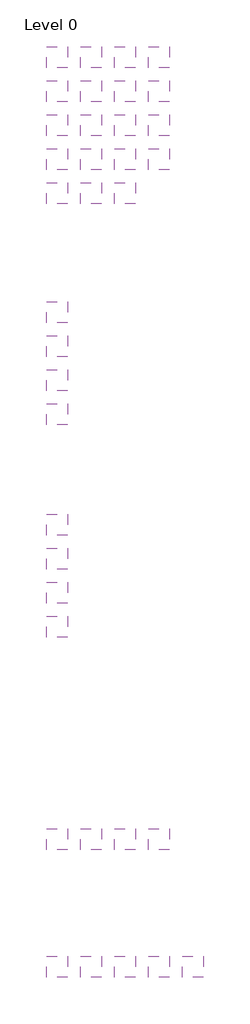
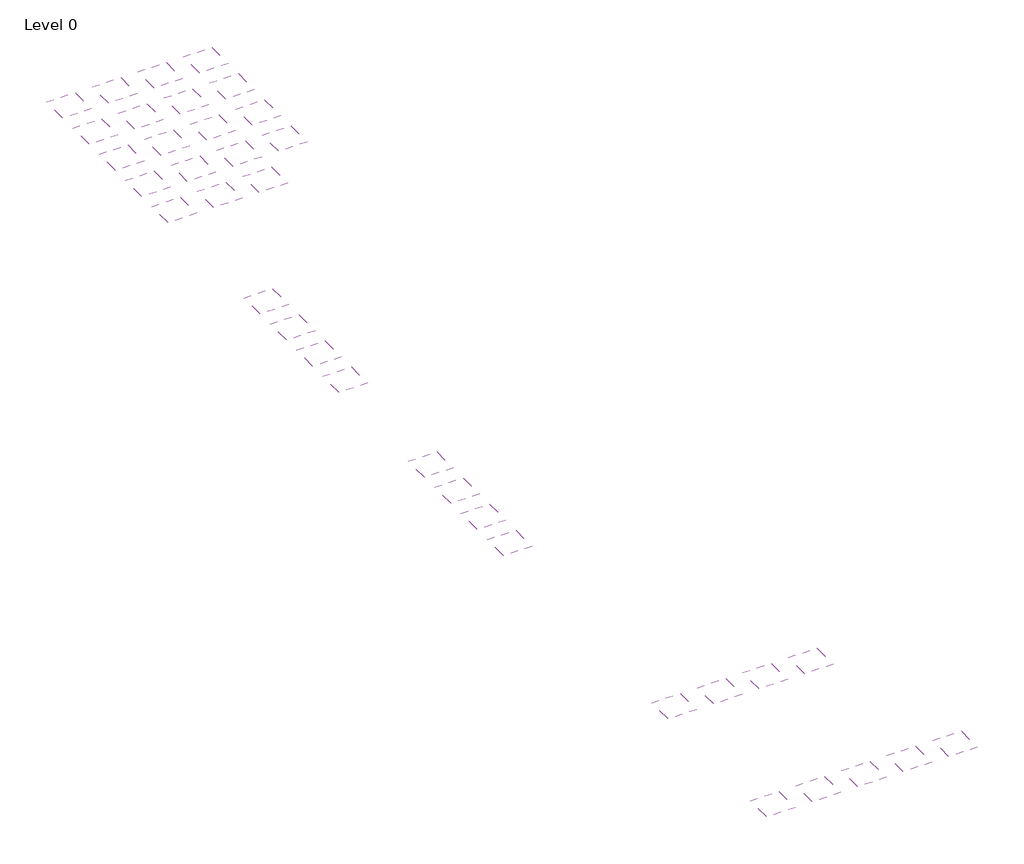
# One storey: 36 coverings.
"""IFC4 building model written with IfcOpenShell, lengths in millimetres."""

import ifcopenshell
import ifcopenshell.guid

model = None  # the IFC model being written
_history = None  # IfcOwnerHistory: only IFC2X3 demands one
_inside = {}  # id of a spatial element -> (the spatial element, [elements in it])
_under = {}  # id of a project, library or spatial element -> (it, [spatial elements below it])
_declared = {}  # id of a project -> (the project, [libraries it declares])
_typed = {}  # id of a type object -> (the type object, [elements of that type])
_made_of = {}  # id of a material, layer set ... -> (it, [elements and type objects made of it])


def new_model(schema):
    """Start an empty IFC model of exactly this schema.

    Asked for "IFC4X3", IfcOpenShell would pick the latest addendum, in which some entities
    have other attributes; the version numbers below select the first issue.
    IFC2X3 requires an IfcOwnerHistory on every rooted entity: one is made here for all.
    """
    global model, _history
    if schema == "IFC4X3":
        model = ifcopenshell.file(schema_version=(4, 3, 0, 0))
    else:
        model = ifcopenshell.file(schema=schema)
    _inside.clear()
    _under.clear()
    _declared.clear()
    _typed.clear()
    _made_of.clear()
    _history = None
    if model.schema == "IFC2X3":
        org = make("IfcOrganization", Name="unknown")
        user = make(
            "IfcPersonAndOrganization",
            ThePerson=make("IfcPerson", FamilyName="unknown"),
            TheOrganization=org,
        )
        app = make(
            "IfcApplication",
            ApplicationDeveloper=org,
            Version="unknown",
            ApplicationFullName="unknown",
            ApplicationIdentifier="unknown",
        )
        _history = make(
            "IfcOwnerHistory",
            OwningUser=user,
            OwningApplication=app,
            ChangeAction="ADDED",
            CreationDate=0,
        )
    return model


def make(cls, **values):
    """One entity of the class cls with the attributes given. An attribute that is None is left unset."""
    return model.create_entity(
        cls, **{name: value for name, value in values.items() if value is not None}
    )


def rooted(cls, **values):
    """An entity with a GlobalId (a new one), such as an element, a storey or a relation."""
    return make(cls, GlobalId=ifcopenshell.guid.new(), OwnerHistory=_history, **values)


def si_unit(unit_type, name, prefix=None):
    """IfcSIUnit, for example si_unit("LENGTHUNIT", "METRE", prefix="MILLI")."""
    return make("IfcSIUnit", UnitType=unit_type, Prefix=prefix, Name=name)


def assignment(units):
    """IfcUnitAssignment: the units of a project."""
    return None if units is None else make("IfcUnitAssignment", Units=units)


def point(xyz):
    """IfcCartesianPoint."""
    return None if xyz is None else make("IfcCartesianPoint", Coordinates=xyz)


def direction(xyz):
    """IfcDirection."""
    return None if xyz is None else make("IfcDirection", DirectionRatios=xyz)


def frame(location, z_axis=None, x_axis=None):
    """IfcAxis2Placement3D, a coordinate frame: its origin and axes. An axis left out is left unset."""
    return make(
        "IfcAxis2Placement3D",
        Location=point(location),
        Axis=direction(z_axis),
        RefDirection=direction(x_axis),
    )


def origin():
    """The frame at (0, 0, 0) with its axes left unset."""
    return frame((0.0, 0.0, 0.0))


def place(relative_to, where):
    """IfcLocalPlacement: puts the frame where relative to a parent placement (None: the world)."""
    return make(
        "IfcLocalPlacement", PlacementRelTo=relative_to, RelativePlacement=where
    )


def context(
    kind, dimensions, precision=None, world=None, true_north=None, identifier=None
):
    """IfcGeometricRepresentationContext, for example the 3D "Model" context."""
    return make(
        "IfcGeometricRepresentationContext",
        ContextIdentifier=identifier,
        ContextType=kind,
        CoordinateSpaceDimension=dimensions,
        Precision=precision,
        WorldCoordinateSystem=world,
        TrueNorth=true_north,
    )


def project(units=None, contexts=None):
    """IfcProject with its units and contexts."""
    return rooted(
        "IfcProject",
        Name="project",
        RepresentationContexts=contexts,
        UnitsInContext=assignment(units),
    )


def spatial(cls, under=None, at=None, **own):
    """A site, building, storey or space (cls), placed at a placement, below another one or the project."""
    s = rooted(cls, ObjectPlacement=at, **own)
    if under is not None:
        _under.setdefault(under.id(), (under, []))[1].append(s)
    return s


def polyline(points):
    """IfcPolyline through the points."""
    return make("IfcPolyline", Points=[point(p) for p in points])


def outline(outer, holes=None, kind="AREA"):
    """IfcArbitraryClosedProfileDef: a profile drawn as a closed curve; with holes, ...WithVoids."""
    if holes is None:
        return make("IfcArbitraryClosedProfileDef", ProfileType=kind, OuterCurve=outer)
    return make(
        "IfcArbitraryProfileDefWithVoids",
        ProfileType=kind,
        OuterCurve=outer,
        InnerCurves=holes,
    )


def extrude(swept, where, along, depth):
    """IfcExtrudedAreaSolid: the profile swept, set in the frame where, extruded along a direction by depth."""
    return make(
        "IfcExtrudedAreaSolid",
        SweptArea=swept,
        Position=where,
        ExtrudedDirection=direction(along),
        Depth=depth,
    )


def shape(context_of_items, identifier, shape_type, items):
    """IfcShapeRepresentation: the items that make up one representation, for example the "Body"."""
    return make(
        "IfcShapeRepresentation",
        ContextOfItems=context_of_items,
        RepresentationIdentifier=identifier,
        RepresentationType=shape_type,
        Items=items,
    )


def made_of(thing, what):
    """Note that an element or type object is made of a material, layer set ...; save() writes the relation."""
    if what is not None:
        _made_of.setdefault(what.id(), (what, []))[1].append(thing)
    return thing


def element(
    cls,
    number,
    at=None,
    inside=None,
    cuts=None,
    type_object=None,
    material=None,
    context=None,
    identifier="Body",
    shape_type=None,
    held_by="IfcProductDefinitionShape",
    body=None,
    shapes=None,
    **own,
):
    """One element of the class cls, such as IfcWall. Its Tag is "e" and its number.

    at: its placement. inside: the storey or other place that contains it. cuts: it is an
    opening in that element (IfcRelVoidsElement). A single representation is given by context,
    identifier, shape_type and body (its items); several are given by shapes. held_by: the class
    of the entity that holds the representations. save() writes the other relations.
    """
    e = rooted(cls, Tag="e%d" % number, ObjectPlacement=at, **own)
    if body is not None:
        shapes = [shape(context, identifier, shape_type, body)]
    if shapes is not None:
        e.Representation = make(held_by, Representations=shapes)
    if inside is not None:
        _inside.setdefault(inside.id(), (inside, []))[1].append(e)
    if cuts is not None:
        rooted(
            "IfcRelVoidsElement", RelatingBuildingElement=cuts, RelatedOpeningElement=e
        )
    if type_object is not None:
        _typed.setdefault(type_object.id(), (type_object, []))[1].append(e)
    return made_of(e, material)


def aggregate(whole, parts):
    """IfcRelAggregates: a whole, such as a stair, and the parts it consists of."""
    return rooted("IfcRelAggregates", RelatingObject=whole, RelatedObjects=parts)


def save(model, path):
    """Write the relations noted so far, then the file.

    IfcRelAggregates (storeys below a building ...), IfcRelContainedInSpatialStructure (elements
    in a storey), IfcRelDefinesByType, IfcRelAssociatesMaterial and IfcRelDeclares: one each for
    every whole, place, type object, material and project.
    """
    for whole, parts in _under.values():
        aggregate(whole, parts)
    for where, things in _inside.values():
        rooted(
            "IfcRelContainedInSpatialStructure",
            RelatedElements=things,
            RelatingStructure=where,
        )
    for kind, things in _typed.values():
        rooted("IfcRelDefinesByType", RelatedObjects=things, RelatingType=kind)
    for what, things in _made_of.values():
        rooted("IfcRelAssociatesMaterial", RelatedObjects=things, RelatingMaterial=what)
    for by, libraries in _declared.values():
        rooted("IfcRelDeclares", RelatingContext=by, RelatedDefinitions=libraries)
    model.write(path)


model = new_model("IFC4")

# Units and contexts
model_context = context("Model", 3, world=origin())
ifc_project = project(units=[si_unit("LENGTHUNIT", "METRE", prefix="MILLI")], contexts=[model_context])

# Site, building, storey
site = spatial("IfcSite", under=ifc_project)
building = spatial("IfcBuilding", under=site)
storey = spatial("IfcBuildingStorey", under=building, Name="Level 0", Elevation=0.0)

# Coverings
placement = place(None, origin())
element("IfcCovering", 1, at=placement, inside=storey, context=model_context, shape_type="SweptSolid", body=[
    extrude(outline(polyline([(-9816.8087978, 5048.1093759), (-9816.8087978, 4548.1093759), (-10316.8087978, 4548.1093759), (-10316.8087978, 5048.1093759), (-9816.8087978, 5048.1093759)])), frame((0.0, 0.0, 4000.0), z_axis=(0.0, 0.0, 1.0), x_axis=(1.0, 0.0, 0.0)), (0.0, 0.0, 1.0), 13.0),
])
element("IfcCovering", 2, at=placement, inside=storey, context=model_context, shape_type="SweptSolid", body=[
    extrude(outline(polyline([(-9816.8087978, 4248.1093759), (-9816.8087978, 3748.1093759), (-10316.8087978, 3748.1093759), (-10316.8087978, 4248.1093759), (-9816.8087978, 4248.1093759)])), frame((0.0, 0.0, 4000.0), z_axis=(0.0, 0.0, 1.0), x_axis=(1.0, 0.0, 0.0)), (0.0, 0.0, 1.0), 14.0),
])
element("IfcCovering", 3, at=placement, inside=storey, context=model_context, shape_type="SweptSolid", body=[
    extrude(outline(polyline([(-9016.8087978, 5048.1093759), (-9016.8087978, 4548.1093759), (-9516.8087978, 4548.1093759), (-9516.8087978, 5048.1093759), (-9016.8087978, 5048.1093759)])), frame((0.0, 0.0, 4000.0), z_axis=(0.0, 0.0, 1.0), x_axis=(1.0, 0.0, 0.0)), (0.0, 0.0, 1.0), 17.0),
])
element("IfcCovering", 4, at=placement, inside=storey, context=model_context, shape_type="SweptSolid", body=[
    extrude(outline(polyline([(-9016.8087978, 4248.1093759), (-9016.8087978, 3748.1093759), (-9516.8087978, 3748.1093759), (-9516.8087978, 4248.1093759), (-9016.8087978, 4248.1093759)])), frame((0.0, 0.0, 4000.0), z_axis=(0.0, 0.0, 1.0), x_axis=(1.0, 0.0, 0.0)), (0.0, 0.0, 1.0), 17.0),
])
element("IfcCovering", 5, at=placement, inside=storey, context=model_context, shape_type="SweptSolid", body=[
    extrude(outline(polyline([(-9816.8087978, 3448.1093759), (-9816.8087978, 2948.1093759), (-10316.8087978, 2948.1093759), (-10316.8087978, 3448.1093759), (-9816.8087978, 3448.1093759)])), frame((0.0, 0.0, 4000.0), z_axis=(0.0, 0.0, 1.0), x_axis=(1.0, 0.0, 0.0)), (0.0, 0.0, 1.0), 14.0),
])
element("IfcCovering", 6, at=placement, inside=storey, context=model_context, shape_type="SweptSolid", body=[
    extrude(outline(polyline([(-9016.8087978, 3448.1093759), (-9016.8087978, 2948.1093759), (-9516.8087978, 2948.1093759), (-9516.8087978, 3448.1093759), (-9016.8087978, 3448.1093759)])), frame((0.0, 0.0, 4000.0), z_axis=(0.0, 0.0, 1.0), x_axis=(1.0, 0.0, 0.0)), (0.0, 0.0, 1.0), 17.0),
])
element("IfcCovering", 7, at=placement, inside=storey, context=model_context, shape_type="SweptSolid", body=[
    extrude(outline(polyline([(-8216.8087978, 3448.1093759), (-8216.8087978, 2948.1093759), (-8716.8087978, 2948.1093759), (-8716.8087978, 3448.1093759), (-8216.8087978, 3448.1093759)])), frame((0.0, 0.0, 4000.0), z_axis=(0.0, 0.0, 1.0), x_axis=(1.0, 0.0, 0.0)), (0.0, 0.0, 1.0), 17.0),
])
element("IfcCovering", 8, at=placement, inside=storey, context=model_context, shape_type="SweptSolid", body=[
    extrude(outline(polyline([(-9816.8087978, 2648.1093759), (-9816.8087978, 2148.1093759), (-10316.8087978, 2148.1093759), (-10316.8087978, 2648.1093759), (-9816.8087978, 2648.1093759)])), frame((0.0, 0.0, 4000.0), z_axis=(0.0, 0.0, 1.0), x_axis=(1.0, 0.0, 0.0)), (0.0, 0.0, 1.0), 17.0),
])
element("IfcCovering", 9, at=placement, inside=storey, context=model_context, shape_type="SweptSolid", body=[
    extrude(outline(polyline([(-9016.8087978, 2648.1093759), (-9016.8087978, 2148.1093759), (-9516.8087978, 2148.1093759), (-9516.8087978, 2648.1093759), (-9016.8087978, 2648.1093759)])), frame((0.0, 0.0, 4000.0), z_axis=(0.0, 0.0, 1.0), x_axis=(1.0, 0.0, 0.0)), (0.0, 0.0, 1.0), 17.0),
])
element("IfcCovering", 10, at=placement, inside=storey, context=model_context, shape_type="SweptSolid", body=[
    extrude(outline(polyline([(-8216.8087978, 2648.1093759), (-8216.8087978, 2148.1093759), (-8716.8087978, 2148.1093759), (-8716.8087978, 2648.1093759), (-8216.8087978, 2648.1093759)])), frame((0.0, 0.0, 4000.0), z_axis=(0.0, 0.0, 1.0), x_axis=(1.0, 0.0, 0.0)), (0.0, 0.0, 1.0), 20.0),
])
element("IfcCovering", 11, at=placement, inside=storey, context=model_context, shape_type="SweptSolid", body=[
    extrude(outline(polyline([(-7416.8087978, 2648.1093759), (-7416.8087978, 2148.1093759), (-7916.8087978, 2148.1093759), (-7916.8087978, 2648.1093759), (-7416.8087978, 2648.1093759)])), frame((0.0, 0.0, 4000.0), z_axis=(0.0, 0.0, 1.0), x_axis=(1.0, 0.0, 0.0)), (0.0, 0.0, 1.0), 33.0),
])
element("IfcCovering", 12, at=placement, inside=storey, context=model_context, shape_type="SweptSolid", body=[
    extrude(outline(polyline([(-9816.8087978, 1848.1093759), (-9816.8087978, 1348.1093759), (-10316.8087978, 1348.1093759), (-10316.8087978, 1848.1093759), (-9816.8087978, 1848.1093759)])), frame((0.0, 0.0, 4000.0), z_axis=(0.0, 0.0, 1.0), x_axis=(1.0, 0.0, 0.0)), (0.0, 0.0, 1.0), 36.0),
])
element("IfcCovering", 13, at=placement, inside=storey, context=model_context, shape_type="SweptSolid", body=[
    extrude(outline(polyline([(-9016.8087978, 1848.1093759), (-9016.8087978, 1348.1093759), (-9516.8087978, 1348.1093759), (-9516.8087978, 1848.1093759), (-9016.8087978, 1848.1093759)])), frame((0.0, 0.0, 4000.0), z_axis=(0.0, 0.0, 1.0), x_axis=(1.0, 0.0, 0.0)), (0.0, 0.0, 1.0), 48.0),
])
element("IfcCovering", 14, at=placement, inside=storey, context=model_context, shape_type="SweptSolid", body=[
    extrude(outline(polyline([(-9816.8087978, -951.8906241), (-9816.8087978, -1451.8906241), (-10316.8087978, -1451.8906241), (-10316.8087978, -951.8906241), (-9816.8087978, -951.8906241)])), frame((0.0, 0.0, 4000.0), z_axis=(0.0, 0.0, 1.0), x_axis=(1.0, 0.0, 0.0)), (0.0, 0.0, 1.0), 25.0),
])
element("IfcCovering", 15, at=placement, inside=storey, context=model_context, shape_type="SweptSolid", body=[
    extrude(outline(polyline([(-9816.8087978, -1751.8906241), (-9816.8087978, -2251.8906241), (-10316.8087978, -2251.8906241), (-10316.8087978, -1751.8906241), (-9816.8087978, -1751.8906241)])), frame((0.0, 0.0, 4000.0), z_axis=(0.0, 0.0, 1.0), x_axis=(1.0, 0.0, 0.0)), (0.0, 0.0, 1.0), 34.0),
])
element("IfcCovering", 16, at=placement, inside=storey, context=model_context, shape_type="SweptSolid", body=[
    extrude(outline(polyline([(-9816.8087978, -2551.8906241), (-9816.8087978, -3051.8906241), (-10316.8087978, -3051.8906241), (-10316.8087978, -2551.8906241), (-9816.8087978, -2551.8906241)])), frame((0.0, 0.0, 4000.0), z_axis=(0.0, 0.0, 1.0), x_axis=(1.0, 0.0, 0.0)), (0.0, 0.0, 1.0), 55.0),
])
element("IfcCovering", 17, at=placement, inside=storey, context=model_context, shape_type="SweptSolid", body=[
    extrude(outline(polyline([(-9816.8087978, -3351.8906241), (-9816.8087978, -3851.8906241), (-10316.8087978, -3851.8906241), (-10316.8087978, -3351.8906241), (-9816.8087978, -3351.8906241)])), frame((0.0, 0.0, 4000.0), z_axis=(0.0, 0.0, 1.0), x_axis=(1.0, 0.0, 0.0)), (0.0, 0.0, 1.0), 81.0),
])
element("IfcCovering", 18, at=placement, inside=storey, context=model_context, shape_type="SweptSolid", body=[
    extrude(outline(polyline([(-9816.8087978, -6751.8906241), (-9816.8087978, -7251.8906241), (-10316.8087978, -7251.8906241), (-10316.8087978, -6751.8906241), (-9816.8087978, -6751.8906241)])), frame((0.0, 0.0, 4000.0), z_axis=(0.0, 0.0, 1.0), x_axis=(1.0, 0.0, 0.0)), (0.0, 0.0, 1.0), 24.0),
])
element("IfcCovering", 19, at=placement, inside=storey, context=model_context, shape_type="SweptSolid", body=[
    extrude(outline(polyline([(-9816.8087978, -7551.8906241), (-9816.8087978, -8051.8906241), (-10316.8087978, -8051.8906241), (-10316.8087978, -7551.8906241), (-9816.8087978, -7551.8906241)])), frame((0.0, 0.0, 4000.0), z_axis=(0.0, 0.0, 1.0), x_axis=(1.0, 0.0, 0.0)), (0.0, 0.0, 1.0), 40.0),
])
element("IfcCovering", 20, at=placement, inside=storey, context=model_context, shape_type="SweptSolid", body=[
    extrude(outline(polyline([(-9816.8087978, -8351.8906241), (-9816.8087978, -8851.8906241), (-10316.8087978, -8851.8906241), (-10316.8087978, -8351.8906241), (-9816.8087978, -8351.8906241)])), frame((0.0, 0.0, 4000.0), z_axis=(0.0, 0.0, 1.0), x_axis=(1.0, 0.0, 0.0)), (0.0, 0.0, 1.0), 56.0),
])
element("IfcCovering", 21, at=placement, inside=storey, context=model_context, shape_type="SweptSolid", body=[
    extrude(outline(polyline([(-9816.8087978, -5951.8906241), (-9816.8087978, -6451.8906241), (-10316.8087978, -6451.8906241), (-10316.8087978, -5951.8906241), (-9816.8087978, -5951.8906241)])), frame((0.0, 0.0, 4000.0), z_axis=(0.0, 0.0, 1.0), x_axis=(1.0, 0.0, 0.0)), (0.0, 0.0, 1.0), 15.0),
])
element("IfcCovering", 22, at=placement, inside=storey, context=model_context, shape_type="SweptSolid", body=[
    extrude(outline(polyline([(-9816.8087978, -13351.8906241), (-9816.8087978, -13851.8906241), (-10316.8087978, -13851.8906241), (-10316.8087978, -13351.8906241), (-9816.8087978, -13351.8906241)])), frame((0.0, 0.0, 4000.0), z_axis=(0.0, 0.0, 1.0), x_axis=(1.0, 0.0, 0.0)), (0.0, 0.0, 1.0), 13.0),
])
element("IfcCovering", 23, at=placement, inside=storey, context=model_context, shape_type="SweptSolid", body=[
    extrude(outline(polyline([(-8216.8087978, -13351.8906241), (-8216.8087978, -13851.8906241), (-8716.8087978, -13851.8906241), (-8716.8087978, -13351.8906241), (-8216.8087978, -13351.8906241)])), frame((0.0, 0.0, 4000.0), z_axis=(0.0, 0.0, 1.0), x_axis=(1.0, 0.0, 0.0)), (0.0, 0.0, 1.0), 23.0),
])
element("IfcCovering", 24, at=placement, inside=storey, context=model_context, shape_type="SweptSolid", body=[
    extrude(outline(polyline([(-7416.8087978, -13351.8906241), (-7416.8087978, -13851.8906241), (-7916.8087978, -13851.8906241), (-7916.8087978, -13351.8906241), (-7416.8087978, -13351.8906241)])), frame((0.0, 0.0, 4000.0), z_axis=(0.0, 0.0, 1.0), x_axis=(1.0, 0.0, 0.0)), (0.0, 0.0, 1.0), 31.0),
])
element("IfcCovering", 25, at=placement, inside=storey, context=model_context, shape_type="SweptSolid", body=[
    extrude(outline(polyline([(-9816.8087978, -16351.8906241), (-9816.8087978, -16851.8906241), (-10316.8087978, -16851.8906241), (-10316.8087978, -16351.8906241), (-9816.8087978, -16351.8906241)])), frame((0.0, 0.0, 4000.0), z_axis=(0.0, 0.0, 1.0), x_axis=(1.0, 0.0, 0.0)), (0.0, 0.0, 1.0), 23.0),
])
element("IfcCovering", 26, at=placement, inside=storey, context=model_context, shape_type="SweptSolid", body=[
    extrude(outline(polyline([(-9016.8087978, -16351.8906241), (-9016.8087978, -16851.8906241), (-9516.8087978, -16851.8906241), (-9516.8087978, -16351.8906241), (-9016.8087978, -16351.8906241)])), frame((0.0, 0.0, 4000.0), z_axis=(0.0, 0.0, 1.0), x_axis=(1.0, 0.0, 0.0)), (0.0, 0.0, 1.0), 23.0),
])
element("IfcCovering", 27, at=placement, inside=storey, context=model_context, shape_type="SweptSolid", body=[
    extrude(outline(polyline([(-8216.8087978, -16351.8906241), (-8216.8087978, -16851.8906241), (-8716.8087978, -16851.8906241), (-8716.8087978, -16351.8906241), (-8216.8087978, -16351.8906241)])), frame((0.0, 0.0, 4000.0), z_axis=(0.0, 0.0, 1.0), x_axis=(1.0, 0.0, 0.0)), (0.0, 0.0, 1.0), 23.0),
])
element("IfcCovering", 28, at=placement, inside=storey, context=model_context, shape_type="SweptSolid", body=[
    extrude(outline(polyline([(-7416.8087978, -16351.8906241), (-7416.8087978, -16851.8906241), (-7916.8087978, -16851.8906241), (-7916.8087978, -16351.8906241), (-7416.8087978, -16351.8906241)])), frame((0.0, 0.0, 4000.0), z_axis=(0.0, 0.0, 1.0), x_axis=(1.0, 0.0, 0.0)), (0.0, 0.0, 1.0), 27.0),
])
element("IfcCovering", 29, at=placement, inside=storey, context=model_context, shape_type="SweptSolid", body=[
    extrude(outline(polyline([(-6616.8087978, -16351.8906241), (-6616.8087978, -16851.8906241), (-7116.8087978, -16851.8906241), (-7116.8087978, -16351.8906241), (-6616.8087978, -16351.8906241)])), frame((0.0, 0.0, 4000.0), z_axis=(0.0, 0.0, 1.0), x_axis=(1.0, 0.0, 0.0)), (0.0, 0.0, 1.0), 39.0),
])
element("IfcCovering", 30, at=placement, inside=storey, context=model_context, shape_type="SweptSolid", body=[
    extrude(outline(polyline([(-9016.8087978, -13351.8906241), (-9016.8087978, -13851.8906241), (-9516.8087978, -13851.8906241), (-9516.8087978, -13351.8906241), (-9016.8087978, -13351.8906241)])), frame((0.0, 0.0, 4000.0), z_axis=(0.0, 0.0, 1.0), x_axis=(1.0, 0.0, 0.0)), (0.0, 0.0, 1.0), 15.0),
])
element("IfcCovering", 31, at=placement, inside=storey, context=model_context, shape_type="SweptSolid", body=[
    extrude(outline(polyline([(-8216.8087978, 5048.1093759), (-8216.8087978, 4548.1093759), (-8716.8087978, 4548.1093759), (-8716.8087978, 5048.1093759), (-8216.8087978, 5048.1093759)])), frame((0.0, 0.0, 4000.0), z_axis=(0.0, 0.0, 1.0), x_axis=(1.0, 0.0, 0.0)), (0.0, 0.0, 1.0), 17.0),
])
element("IfcCovering", 32, at=placement, inside=storey, context=model_context, shape_type="SweptSolid", body=[
    extrude(outline(polyline([(-8216.8087978, 4248.1093759), (-8216.8087978, 3748.1093759), (-8716.8087978, 3748.1093759), (-8716.8087978, 4248.1093759), (-8216.8087978, 4248.1093759)])), frame((0.0, 0.0, 4000.0), z_axis=(0.0, 0.0, 1.0), x_axis=(1.0, 0.0, 0.0)), (0.0, 0.0, 1.0), 17.0),
])
element("IfcCovering", 33, at=placement, inside=storey, context=model_context, shape_type="SweptSolid", body=[
    extrude(outline(polyline([(-8216.8087978, 1848.1093759), (-8216.8087978, 1348.1093759), (-8716.8087978, 1348.1093759), (-8716.8087978, 1848.1093759), (-8216.8087978, 1848.1093759)])), frame((0.0, 0.0, 4000.0), z_axis=(0.0, 0.0, 1.0), x_axis=(1.0, 0.0, 0.0)), (0.0, 0.0, 1.0), 48.0),
])
element("IfcCovering", 34, at=placement, inside=storey, context=model_context, shape_type="SweptSolid", body=[
    extrude(outline(polyline([(-7416.8087978, 5048.1093759), (-7416.8087978, 4548.1093759), (-7916.8087978, 4548.1093759), (-7916.8087978, 5048.1093759), (-7416.8087978, 5048.1093759)])), frame((0.0, 0.0, 4000.0), z_axis=(0.0, 0.0, 1.0), x_axis=(1.0, 0.0, 0.0)), (0.0, 0.0, 1.0), 14.0),
])
element("IfcCovering", 35, at=placement, inside=storey, context=model_context, shape_type="SweptSolid", body=[
    extrude(outline(polyline([(-7416.8087978, 4248.1093759), (-7416.8087978, 3748.1093759), (-7916.8087978, 3748.1093759), (-7916.8087978, 4248.1093759), (-7416.8087978, 4248.1093759)])), frame((0.0, 0.0, 4000.0), z_axis=(0.0, 0.0, 1.0), x_axis=(1.0, 0.0, 0.0)), (0.0, 0.0, 1.0), 14.0),
])
element("IfcCovering", 36, at=placement, inside=storey, context=model_context, shape_type="SweptSolid", body=[
    extrude(outline(polyline([(-7416.8087978, 3448.1093759), (-7416.8087978, 2948.1093759), (-7916.8087978, 2948.1093759), (-7916.8087978, 3448.1093759), (-7416.8087978, 3448.1093759)])), frame((0.0, 0.0, 4000.0), z_axis=(0.0, 0.0, 1.0), x_axis=(1.0, 0.0, 0.0)), (0.0, 0.0, 1.0), 14.0),
])

save(model, "model.ifc")
